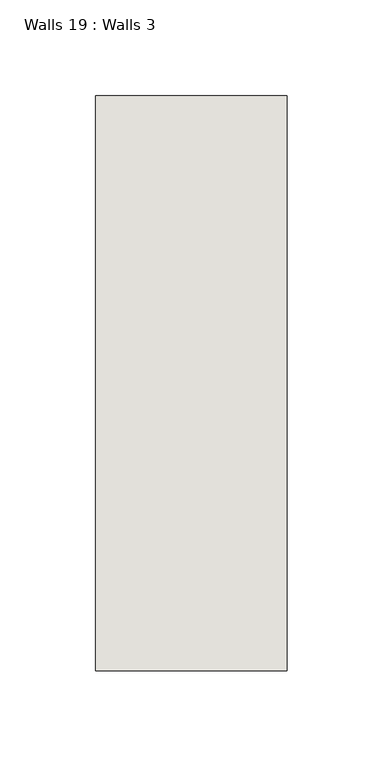
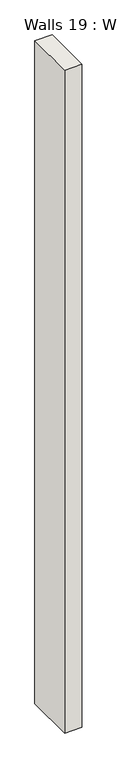
"""IFC4 building model written with IfcOpenShell, lengths in millimetres: wall geometry, Walls 19 : Walls 3."""

from ifc_helpers import new_model, si_unit, origin, origin_with_axes, place, context, project, spatial, polyline, outline, extrude, source, transform, mapped, element, save


def walls_19_walls_3_e95dbcd5(model_context):
    return source(origin(), model_context, "Body", "SweptSolid", [
        extrude(outline(polyline([(-5412.3812655, 1518.41264), (-5412.3812655, 1818.41264), (-5312.3812655, 1818.41264), (-5312.3812655, 1518.41264), (-5412.3812655, 1518.41264)])), origin_with_axes(), (0.0, 0.0, 1.0), 4085.1192828),
    ])


if __name__ == "__main__":
    model = new_model("IFC4")
    model_context = context("Model", 3, world=origin())
    ifc_project = project(units=[si_unit("LENGTHUNIT", "METRE", prefix="MILLI")], contexts=[model_context])
    site = spatial("IfcSite", under=ifc_project)
    building = spatial("IfcBuilding", under=site)
    placement = place(None, origin())
    walls_19_walls_3_shape = walls_19_walls_3_e95dbcd5(model_context)
    element("IfcWall", 1, ObjectType="Walls 19 : Walls 3", at=placement, inside=building, context=model_context, shape_type="MappedRepresentation", body=[
        mapped(walls_19_walls_3_shape, transform((0.0, 0.0, 0.0), x_axis=(1.0, 0.0, 0.0), y_axis=(0.0, 1.0, 0.0), z_axis=(0.0, 0.0, 1.0))),
    ])
    save(model, "model.ifc")
